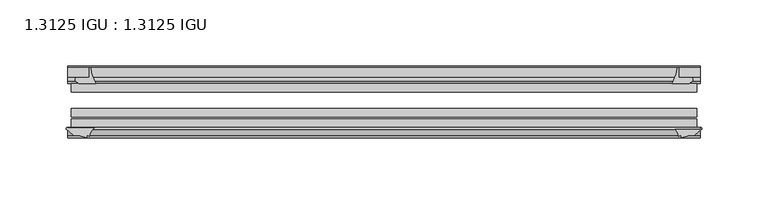
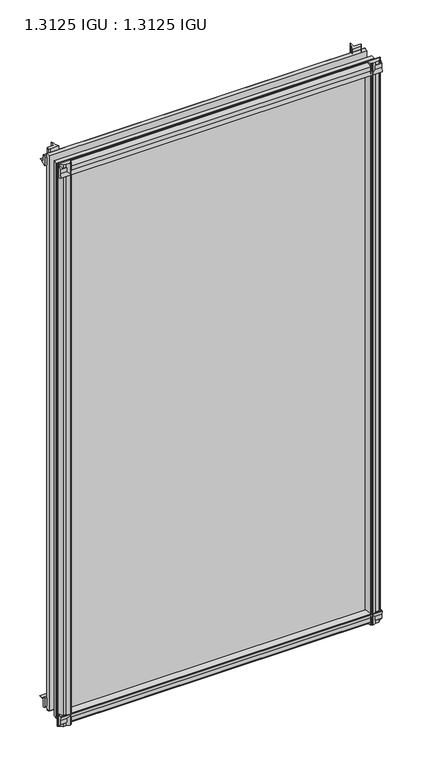
"""IFC4 building model written with IfcOpenShell, lengths in millimetres: plate geometry, 1.3125 IGU : 1.3125 IGU."""

from ifc_helpers import new_model, si_unit, point, frame, frame_2d, origin, place, context, project, spatial, polyline, circle_curve, trimmed, segment, composite_curve, outline, extrude, source, transform, mapped, element, save


def plate_1_3125_igu_1_3125_igu_af11f134(model_context):
    return source(origin(), model_context, "Body", "SweptSolid", [
        extrude(outline(composite_curve([segment(polyline([(-22.094825, 0.0), (-22.094825, -9.916835)]), True, "CONTINUOUS"), segment(trimmed(circle_curve(frame_2d((-23.669625, -9.916835)), 1.5748), [point((-22.094825, -9.916835))], [point((-24.8706146, -10.9354709))], False, "CARTESIAN"), True, "CONTINUOUS"), segment(polyline([(-24.8706146, -10.9354709), (-26.590625, -8.9075484), (-26.590625, 4.0446407)]), True, "CONTINUOUS"), segment(trimmed(circle_curve(frame_2d((-7.1839113, 38.4138813)), 39.4698015), [point((-26.590625, 4.0446407))], [point((-19.4504626, 0.8985917))], True, "CARTESIAN"), True, "CONTINUOUS"), segment(polyline([(-19.4504626, 0.8985917), (-13.3986538, 0.0), (-22.094825, 0.0)]), True, "CONTINUOUS")], self_intersect=False)), frame((-238.7734346, 0.0, 0.0), z_axis=(1.0, 0.0, 0.0), x_axis=(0.0, 1.0, 0.0)), (0.0, 0.0, 1.0), 477.5468692),
        extrude(outline(composite_curve([segment(trimmed(circle_curve(frame_2d((-67.8737919, 9.6311377)), 10.5748618), [point((-66.062225, -0.7874))], [point((-59.712225, 2.9068141))], True, "CARTESIAN"), True, "CONTINUOUS"), segment(polyline([(-59.712225, 2.9068141), (-59.712225, -18.0442511)]), True, "CONTINUOUS"), segment(trimmed(circle_curve(frame_2d((-60.728225, -18.0442511)), 1.016), [point((-59.712225, -18.0442511))], [point((-61.4950672, -18.7107412))], False, "CARTESIAN"), True, "CONTINUOUS"), segment(polyline([(-61.4950672, -18.7107412), (-66.062225, -13.4559149), (-66.062225, -7.4520336), (-67.637025, -1.5748), (-66.062225, -1.5748), (-66.062225, -0.7874)]), True, "CONTINUOUS")], self_intersect=False)), frame((-238.7734346, 0.0, 0.0), z_axis=(1.0, 0.0, 0.0), x_axis=(0.0, 1.0, 0.0)), (0.0, 0.0, 1.0), 477.5468692),
        extrude(outline(composite_curve([segment(polyline([(-66.062225, 857.9598774), (-61.4950672, 863.2147037)]), True, "CONTINUOUS"), segment(trimmed(circle_curve(frame_2d((-60.728225, 862.5482136)), 1.016), [point((-61.4950672, 863.2147037))], [point((-59.712225, 862.5482136))], False, "CARTESIAN"), True, "CONTINUOUS"), segment(polyline([(-59.712225, 862.5482136), (-59.712225, 842.0230921)]), True, "CONTINUOUS"), segment(trimmed(circle_curve(frame_2d((-66.4211348, 836.3932283)), 8.7581298), [point((-59.712225, 842.0230921))], [point((-66.062225, 845.1440009))], True, "CARTESIAN"), True, "CONTINUOUS"), segment(polyline([(-66.062225, 845.1440009), (-66.062225, 846.0787625), (-67.637025, 846.0787625), (-66.062225, 851.9559961), (-66.062225, 857.9598774)]), True, "CONTINUOUS")], self_intersect=False)), frame((-238.7734346, 0.0, 0.0), z_axis=(1.0, 0.0, 0.0), x_axis=(0.0, 1.0, 0.0)), (0.0, 0.0, 1.0), 477.5468692),
        extrude(outline(composite_curve([segment(polyline([(-26.590625, 840.4593218), (-26.590625, 853.4115109), (-24.8706146, 855.4394334)]), True, "CONTINUOUS"), segment(trimmed(circle_curve(frame_2d((-23.669625, 854.4207975)), 1.5748), [point((-24.8706146, 855.4394334))], [point((-22.094825, 854.4207975))], False, "CARTESIAN"), True, "CONTINUOUS"), segment(polyline([(-22.094825, 854.4207975), (-22.094825, 844.55), (-14.5883882, 844.55), (-18.3240316, 843.7633459)]), True, "CONTINUOUS"), segment(trimmed(circle_curve(frame_2d((-16.4585419, 831.134903)), 12.7654855), [point((-18.3240316, 843.7633459))], [point((-20.5939581, 843.2119869))], True, "CARTESIAN"), True, "CONTINUOUS"), segment(trimmed(circle_curve(frame_2d((-7.1839113, 806.0900812)), 39.4698015), [point((-20.5939581, 843.2119869))], [point((-26.590625, 840.4593218))], True, "CARTESIAN"), True, "CONTINUOUS")], self_intersect=False)), frame((-238.7734346, 0.0, 0.0), z_axis=(1.0, 0.0, 0.0), x_axis=(0.0, 1.0, 0.0)), (0.0, 0.0, 1.0), 477.5468692),
        extrude(outline(composite_curve([segment(polyline([(230.6125068, -26.590625), (217.6603176, -26.590625)]), True, "CONTINUOUS"), segment(trimmed(circle_curve(frame_2d((183.2910771, -7.1839113)), 39.4698015), [point((217.6603176, -26.590625))], [point((220.8063666, -19.4504626))], True, "CARTESIAN"), True, "CONTINUOUS"), segment(polyline([(220.8063666, -19.4504626), (221.4522417, -15.1006424)]), True, "CONTINUOUS"), segment(trimmed(circle_curve(frame_2d((222.2317271, -15.2120036)), 0.7874), [point((221.4522417, -15.1006424))], [point((222.4987083, -14.4712474))], False, "CARTESIAN"), True, "CONTINUOUS"), segment(polyline([(222.4987083, -14.4712474), (222.4987083, -22.094825), (231.6217933, -22.094825)]), True, "CONTINUOUS"), segment(trimmed(circle_curve(frame_2d((231.6217933, -23.669625)), 1.5748), [point((231.6217933, -22.094825))], [point((232.6404292, -24.8706146))], False, "CARTESIAN"), True, "CONTINUOUS"), segment(polyline([(232.6404292, -24.8706146), (230.6125068, -26.590625)]), True, "CONTINUOUS")], self_intersect=False)), frame((0.0, 0.0, -18.2728511), z_axis=(0.0, 0.0, 1.0), x_axis=(1.0, 0.0, 0.0)), (0.0, 0.0, 1.0), 882.1352548),
        extrude(outline(composite_curve([segment(polyline([(218.3539331, -59.712225), (238.9143599, -59.712225)]), True, "CONTINUOUS"), segment(trimmed(circle_curve(frame_2d((238.9143599, -60.728225)), 1.016), [point((238.9143599, -59.712225))], [point((239.5808499, -61.4950672))], False, "CARTESIAN"), True, "CONTINUOUS"), segment(polyline([(239.5808499, -61.4950672), (234.3260237, -66.062225), (230.3507919, -66.062225), (224.4735583, -67.637025), (224.4735583, -66.062225), (223.3832027, -66.062225)]), True, "CONTINUOUS"), segment(trimmed(circle_curve(frame_2d((223.3832027, -66.849625)), 0.7874), [point((223.3832027, -66.062225))], [point((222.6054969, -66.7264485))], True, "CARTESIAN"), True, "CONTINUOUS"), segment(trimmed(circle_curve(frame_2d((209.5401803, -69.8501675)), 13.4335445), [point((222.6054969, -66.7264485))], [point((218.3539331, -59.712225))], True, "CARTESIAN"), True, "CONTINUOUS")], self_intersect=False)), frame((0.0, 0.0, -18.2728511), z_axis=(0.0, 0.0, 1.0), x_axis=(1.0, 0.0, 0.0)), (0.0, 0.0, 1.0), 882.1352548),
        extrude(outline(composite_curve([segment(polyline([(-221.4522417, -15.1006424), (-220.9778267, -18.2957187)]), True, "CONTINUOUS"), segment(trimmed(circle_curve(frame_2d((-208.4155535, -16.4304327)), 12.7), [point((-220.9778267, -18.2957187))], [point((-220.4290819, -20.5493081))], True, "CARTESIAN"), True, "CONTINUOUS"), segment(trimmed(circle_curve(frame_2d((-183.2910771, -7.1839113)), 39.4698015), [point((-220.4290819, -20.5493081))], [point((-217.6603176, -26.590625))], True, "CARTESIAN"), True, "CONTINUOUS"), segment(polyline([(-217.6603176, -26.590625), (-230.6125068, -26.590625), (-232.6404292, -24.8706146)]), True, "CONTINUOUS"), segment(trimmed(circle_curve(frame_2d((-231.6217933, -23.669625)), 1.5748), [point((-232.6404292, -24.8706146))], [point((-231.6217933, -22.094825))], False, "CARTESIAN"), True, "CONTINUOUS"), segment(polyline([(-231.6217933, -22.094825), (-222.4669583, -22.094825), (-222.4669583, -14.4605617)]), True, "CONTINUOUS"), segment(trimmed(circle_curve(frame_2d((-222.2317271, -15.2120036)), 0.7874), [point((-222.4669583, -14.4605617))], [point((-221.4522417, -15.1006424))], False, "CARTESIAN"), True, "CONTINUOUS")], self_intersect=False)), frame((0.0, 0.0, -18.2728511), z_axis=(0.0, 0.0, 1.0), x_axis=(1.0, 0.0, 0.0)), (0.0, 0.0, 1.0), 882.4847648),
        extrude(outline(composite_curve([segment(trimmed(circle_curve(frame_2d((-209.5401803, -69.8501675)), 13.4335445), [point((-218.3539331, -59.712225))], [point((-222.6054969, -66.7264485))], True, "CARTESIAN"), True, "CONTINUOUS"), segment(trimmed(circle_curve(frame_2d((-223.3832027, -66.849625)), 0.7874), [point((-222.6054969, -66.7264485))], [point((-223.3832027, -66.062225))], True, "CARTESIAN"), True, "CONTINUOUS"), segment(polyline([(-223.3832027, -66.062225), (-224.4735583, -66.062225), (-224.4735583, -67.637025), (-230.3507919, -66.062225), (-234.3260237, -66.062225), (-239.5808499, -61.4950672)]), True, "CONTINUOUS"), segment(trimmed(circle_curve(frame_2d((-238.9143599, -60.728225)), 1.016), [point((-239.5808499, -61.4950672))], [point((-238.9143599, -59.712225))], False, "CARTESIAN"), True, "CONTINUOUS"), segment(polyline([(-238.9143599, -59.712225), (-218.3539331, -59.712225)]), True, "CONTINUOUS")], self_intersect=False)), frame((0.0, 0.0, -18.2728511), z_axis=(0.0, 0.0, 1.0), x_axis=(1.0, 0.0, 0.0)), (0.0, 0.0, 1.0), 882.4847648),
        extrude(outline(polyline([(-235.9924583, -26.590625), (235.9924583, -26.590625), (235.9924583, -32.889825), (-235.9924583, -32.889825), (-235.9924583, -26.590625)])), frame((0.0, 0.0, -12.8524), z_axis=(0.0, 0.0, 1.0), x_axis=(1.0, 0.0, 0.0)), (0.0, 0.0, 1.0), 871.6438625),
        extrude(outline(polyline([(235.9924583, -45.589825), (235.9924583, -51.889025), (-235.9924583, -51.889025), (-235.9924583, -45.589825), (235.9924583, -45.589825)])), frame((0.0, 0.0, -12.8524), z_axis=(0.0, 0.0, 1.0), x_axis=(1.0, 0.0, 0.0)), (0.0, 0.0, 1.0), 871.6438625),
        extrude(outline(polyline([(235.9924583, -53.413025), (235.9924583, -59.712225), (-235.9924583, -59.712225), (-235.9924583, -53.413025), (235.9924583, -53.413025)])), frame((0.0, 0.0, -12.8524), z_axis=(0.0, 0.0, 1.0), x_axis=(1.0, 0.0, 0.0)), (0.0, 0.0, 1.0), 871.6438625),
    ])


if __name__ == "__main__":
    model = new_model("IFC4")
    model_context = context("Model", 3, world=origin())
    ifc_project = project(units=[si_unit("LENGTHUNIT", "METRE", prefix="MILLI")], contexts=[model_context])
    site = spatial("IfcSite", under=ifc_project)
    building = spatial("IfcBuilding", under=site)
    placement = place(None, origin())
    plate_1_3125_igu_1_3125_igu_shape = plate_1_3125_igu_1_3125_igu_af11f134(model_context)
    element("IfcPlate", 1, ObjectType="1.3125 IGU : 1.3125 IGU", at=placement, inside=building, context=model_context, shape_type="MappedRepresentation", body=[
        mapped(plate_1_3125_igu_1_3125_igu_shape, transform((0.0, 0.0, 0.0), x_axis=(1.0, 0.0, 0.0), y_axis=(0.0, 1.0, 0.0), z_axis=(0.0, 0.0, 1.0))),
    ])
    save(model, "model.ifc")
